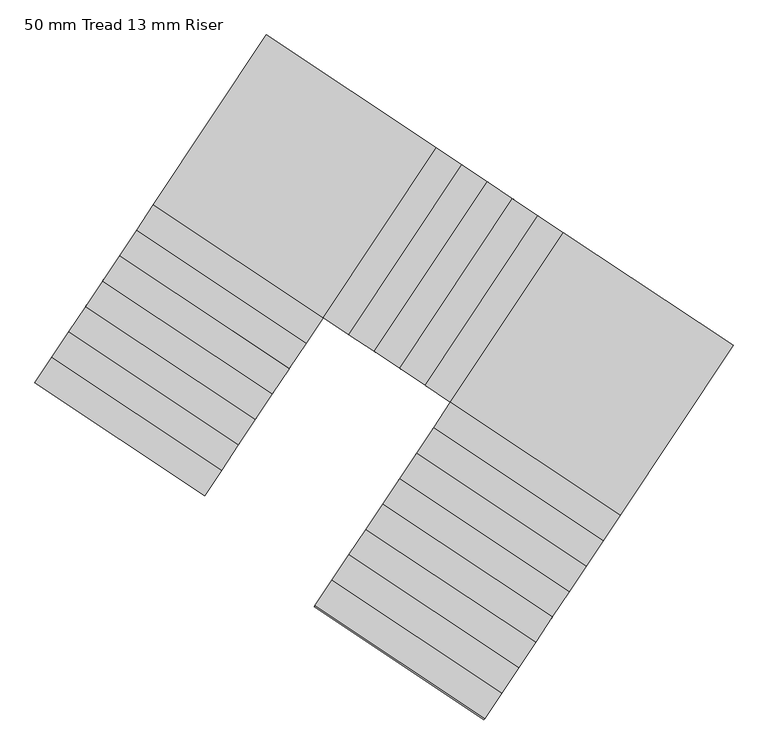
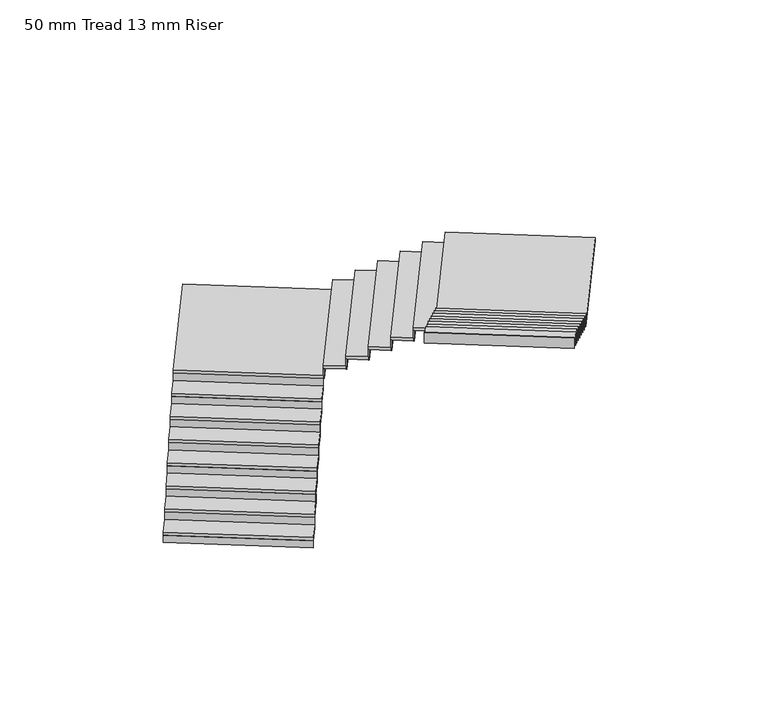
"""IFC4 building model written with IfcOpenShell, lengths in millimetres: stair flight geometry, 50 mm Tread 13 mm Riser."""

import ifcopenshell
import ifcopenshell.guid

model = None  # the IFC model being written
_history = None  # IfcOwnerHistory: only IFC2X3 demands one
_inside = {}  # id of a spatial element -> (the spatial element, [elements in it])
_under = {}  # id of a project, library or spatial element -> (it, [spatial elements below it])
_declared = {}  # id of a project -> (the project, [libraries it declares])
_typed = {}  # id of a type object -> (the type object, [elements of that type])
_made_of = {}  # id of a material, layer set ... -> (it, [elements and type objects made of it])


def new_model(schema):
    """Start an empty IFC model of exactly this schema.

    Asked for "IFC4X3", IfcOpenShell would pick the latest addendum, in which some entities
    have other attributes; the version numbers below select the first issue.
    IFC2X3 requires an IfcOwnerHistory on every rooted entity: one is made here for all.
    """
    global model, _history
    if schema == "IFC4X3":
        model = ifcopenshell.file(schema_version=(4, 3, 0, 0))
    else:
        model = ifcopenshell.file(schema=schema)
    _inside.clear()
    _under.clear()
    _declared.clear()
    _typed.clear()
    _made_of.clear()
    _history = None
    if model.schema == "IFC2X3":
        org = make("IfcOrganization", Name="unknown")
        user = make(
            "IfcPersonAndOrganization",
            ThePerson=make("IfcPerson", FamilyName="unknown"),
            TheOrganization=org,
        )
        app = make(
            "IfcApplication",
            ApplicationDeveloper=org,
            Version="unknown",
            ApplicationFullName="unknown",
            ApplicationIdentifier="unknown",
        )
        _history = make(
            "IfcOwnerHistory",
            OwningUser=user,
            OwningApplication=app,
            ChangeAction="ADDED",
            CreationDate=0,
        )
    return model


def make(cls, **values):
    """One entity of the class cls with the attributes given. An attribute that is None is left unset."""
    return model.create_entity(
        cls, **{name: value for name, value in values.items() if value is not None}
    )


def rooted(cls, **values):
    """An entity with a GlobalId (a new one), such as an element, a storey or a relation."""
    return make(cls, GlobalId=ifcopenshell.guid.new(), OwnerHistory=_history, **values)


def si_unit(unit_type, name, prefix=None):
    """IfcSIUnit, for example si_unit("LENGTHUNIT", "METRE", prefix="MILLI")."""
    return make("IfcSIUnit", UnitType=unit_type, Prefix=prefix, Name=name)


def assignment(units):
    """IfcUnitAssignment: the units of a project."""
    return None if units is None else make("IfcUnitAssignment", Units=units)


def point(xyz):
    """IfcCartesianPoint."""
    return None if xyz is None else make("IfcCartesianPoint", Coordinates=xyz)


def direction(xyz):
    """IfcDirection."""
    return None if xyz is None else make("IfcDirection", DirectionRatios=xyz)


def frame(location, z_axis=None, x_axis=None):
    """IfcAxis2Placement3D, a coordinate frame: its origin and axes. An axis left out is left unset."""
    return make(
        "IfcAxis2Placement3D",
        Location=point(location),
        Axis=direction(z_axis),
        RefDirection=direction(x_axis),
    )


def origin():
    """The frame at (0, 0, 0) with its axes left unset."""
    return frame((0.0, 0.0, 0.0))


def place(relative_to, where):
    """IfcLocalPlacement: puts the frame where relative to a parent placement (None: the world)."""
    return make(
        "IfcLocalPlacement", PlacementRelTo=relative_to, RelativePlacement=where
    )


def context(
    kind, dimensions, precision=None, world=None, true_north=None, identifier=None
):
    """IfcGeometricRepresentationContext, for example the 3D "Model" context."""
    return make(
        "IfcGeometricRepresentationContext",
        ContextIdentifier=identifier,
        ContextType=kind,
        CoordinateSpaceDimension=dimensions,
        Precision=precision,
        WorldCoordinateSystem=world,
        TrueNorth=true_north,
    )


def project(units=None, contexts=None):
    """IfcProject with its units and contexts."""
    return rooted(
        "IfcProject",
        Name="project",
        RepresentationContexts=contexts,
        UnitsInContext=assignment(units),
    )


def spatial(cls, under=None, at=None, **own):
    """A site, building, storey or space (cls), placed at a placement, below another one or the project."""
    s = rooted(cls, ObjectPlacement=at, **own)
    if under is not None:
        _under.setdefault(under.id(), (under, []))[1].append(s)
    return s


def polyline(points):
    """IfcPolyline through the points."""
    return make("IfcPolyline", Points=[point(p) for p in points])


def outline(outer, holes=None, kind="AREA"):
    """IfcArbitraryClosedProfileDef: a profile drawn as a closed curve; with holes, ...WithVoids."""
    if holes is None:
        return make("IfcArbitraryClosedProfileDef", ProfileType=kind, OuterCurve=outer)
    return make(
        "IfcArbitraryProfileDefWithVoids",
        ProfileType=kind,
        OuterCurve=outer,
        InnerCurves=holes,
    )


def extrude(swept, where, along, depth):
    """IfcExtrudedAreaSolid: the profile swept, set in the frame where, extruded along a direction by depth."""
    return make(
        "IfcExtrudedAreaSolid",
        SweptArea=swept,
        Position=where,
        ExtrudedDirection=direction(along),
        Depth=depth,
    )


def shape(context_of_items, identifier, shape_type, items):
    """IfcShapeRepresentation: the items that make up one representation, for example the "Body"."""
    return make(
        "IfcShapeRepresentation",
        ContextOfItems=context_of_items,
        RepresentationIdentifier=identifier,
        RepresentationType=shape_type,
        Items=items,
    )


def source(mapping_origin, context_of_items, identifier, shape_type, items):
    """IfcRepresentationMap: a shape defined once, which mapped items show again and again."""
    return make(
        "IfcRepresentationMap",
        MappingOrigin=mapping_origin,
        MappedRepresentation=shape(context_of_items, identifier, shape_type, items),
    )


def transform(
    local_origin,
    x_axis=None,
    y_axis=None,
    z_axis=None,
    scale=None,
    scale2=None,
    scale3=None,
    uniform=True,
):
    """IfcCartesianTransformationOperator3D, or its non-uniform kind. x_axis, y_axis, z_axis: its Axis1, 2, 3."""
    if uniform:
        return make(
            "IfcCartesianTransformationOperator3D",
            Axis1=direction(x_axis),
            Axis2=direction(y_axis),
            LocalOrigin=point(local_origin),
            Scale=scale,
            Axis3=direction(z_axis),
        )
    return make(
        "IfcCartesianTransformationOperator3DnonUniform",
        Axis1=direction(x_axis),
        Axis2=direction(y_axis),
        LocalOrigin=point(local_origin),
        Scale=scale,
        Axis3=direction(z_axis),
        Scale2=scale2,
        Scale3=scale3,
    )


def mapped(mapping_source, mapping_target):
    """IfcMappedItem: shows the shape of a source again, moved by a transform."""
    return make(
        "IfcMappedItem", MappingSource=mapping_source, MappingTarget=mapping_target
    )


def made_of(thing, what):
    """Note that an element or type object is made of a material, layer set ...; save() writes the relation."""
    if what is not None:
        _made_of.setdefault(what.id(), (what, []))[1].append(thing)
    return thing


def element(
    cls,
    number,
    at=None,
    inside=None,
    cuts=None,
    type_object=None,
    material=None,
    context=None,
    identifier="Body",
    shape_type=None,
    held_by="IfcProductDefinitionShape",
    body=None,
    shapes=None,
    **own,
):
    """One element of the class cls, such as IfcWall. Its Tag is "e" and its number.

    at: its placement. inside: the storey or other place that contains it. cuts: it is an
    opening in that element (IfcRelVoidsElement). A single representation is given by context,
    identifier, shape_type and body (its items); several are given by shapes. held_by: the class
    of the entity that holds the representations. save() writes the other relations.
    """
    e = rooted(cls, Tag="e%d" % number, ObjectPlacement=at, **own)
    if body is not None:
        shapes = [shape(context, identifier, shape_type, body)]
    if shapes is not None:
        e.Representation = make(held_by, Representations=shapes)
    if inside is not None:
        _inside.setdefault(inside.id(), (inside, []))[1].append(e)
    if cuts is not None:
        rooted(
            "IfcRelVoidsElement", RelatingBuildingElement=cuts, RelatedOpeningElement=e
        )
    if type_object is not None:
        _typed.setdefault(type_object.id(), (type_object, []))[1].append(e)
    return made_of(e, material)


def aggregate(whole, parts):
    """IfcRelAggregates: a whole, such as a stair, and the parts it consists of."""
    return rooted("IfcRelAggregates", RelatingObject=whole, RelatedObjects=parts)


def save(model, path):
    """Write the relations noted so far, then the file.

    IfcRelAggregates (storeys below a building ...), IfcRelContainedInSpatialStructure (elements
    in a storey), IfcRelDefinesByType, IfcRelAssociatesMaterial and IfcRelDeclares: one each for
    every whole, place, type object, material and project.
    """
    for whole, parts in _under.values():
        aggregate(whole, parts)
    for where, things in _inside.values():
        rooted(
            "IfcRelContainedInSpatialStructure",
            RelatedElements=things,
            RelatingStructure=where,
        )
    for kind, things in _typed.values():
        rooted("IfcRelDefinesByType", RelatedObjects=things, RelatingType=kind)
    for what, things in _made_of.values():
        rooted("IfcRelAssociatesMaterial", RelatedObjects=things, RelatingMaterial=what)
    for by, libraries in _declared.values():
        rooted("IfcRelDeclares", RelatingContext=by, RelatedDefinitions=libraries)
    model.write(path)


def stair_flight_50_mm_tread_13_mm_riser_c5c35de4(model_context):
    return source(origin(), model_context, "Body", "SweptSolid", [
        extrude(outline(polyline([(-247204.2511497, 56805.2453331), (-247211.1748969, 56794.8380412), (-248876.3416006, 57902.6375939), (-248869.4178534, 57913.0448858), (-247204.2511497, 56805.2453331)])), frame((0.0, 0.0, 4680.0), z_axis=(0.0, 0.0, 1.0), x_axis=(1.0, 0.0, 0.0)), (0.0, 0.0, 1.0), 116.6666667),
        extrude(outline(polyline([(-248710.1716677, 58152.4125995), (-247045.004964, 57044.6130467), (-247211.1748969, 56794.8380412), (-248876.3416006, 57902.6375939), (-248710.1716677, 58152.4125995)])), frame((0.0, 0.0, 4796.6666667), z_axis=(0.0, 0.0, 1.0), x_axis=(1.0, 0.0, 0.0)), (0.0, 0.0, 1.0), 50.0),
        extrude(outline(polyline([(-247038.0812168, 57055.0203386), (-247045.004964, 57044.6130467), (-248710.1716677, 58152.4125995), (-248703.2479205, 58162.8198914), (-247038.0812168, 57055.0203386)])), frame((0.0, 0.0, 4796.6666667), z_axis=(0.0, 0.0, 1.0), x_axis=(1.0, 0.0, 0.0)), (0.0, 0.0, 1.0), 166.6666667),
        extrude(outline(polyline([(-248544.0017348, 58402.187605), (-246878.8350311, 57294.3880523), (-247045.004964, 57044.6130467), (-248710.1716677, 58152.4125995), (-248544.0017348, 58402.187605)])), frame((0.0, 0.0, 4963.3333333), z_axis=(0.0, 0.0, 1.0), x_axis=(1.0, 0.0, 0.0)), (0.0, 0.0, 1.0), 50.0),
        extrude(outline(polyline([(-246871.9112839, 57304.7953442), (-246878.8350311, 57294.3880523), (-248544.0017348, 58402.187605), (-248537.0779876, 58412.5948969), (-246871.9112839, 57304.7953442)])), frame((0.0, 0.0, 4963.3333333), z_axis=(0.0, 0.0, 1.0), x_axis=(1.0, 0.0, 0.0)), (0.0, 0.0, 1.0), 166.6666667),
        extrude(outline(polyline([(-248377.8318019, 58651.9626106), (-246712.6650982, 57544.1630578), (-246878.8350311, 57294.3880523), (-248544.0017348, 58402.187605), (-248377.8318019, 58651.9626106)])), frame((0.0, 0.0, 5130.0), z_axis=(0.0, 0.0, 1.0), x_axis=(1.0, 0.0, 0.0)), (0.0, 0.0, 1.0), 50.0),
        extrude(outline(polyline([(-246705.741351, 57554.5703497), (-246712.6650982, 57544.1630578), (-248377.8318019, 58651.9626106), (-248370.9080547, 58662.3699025), (-246705.741351, 57554.5703497)])), frame((0.0, 0.0, 5130.0), z_axis=(0.0, 0.0, 1.0), x_axis=(1.0, 0.0, 0.0)), (0.0, 0.0, 1.0), 166.6666667),
        extrude(outline(polyline([(-248211.6618689, 58901.7376161), (-246546.4951653, 57793.9380634), (-246712.6650982, 57544.1630578), (-248377.8318019, 58651.9626106), (-248211.6618689, 58901.7376161)])), frame((0.0, 0.0, 5296.6666667), z_axis=(0.0, 0.0, 1.0), x_axis=(1.0, 0.0, 0.0)), (0.0, 0.0, 1.0), 50.0),
        extrude(outline(polyline([(-246539.5714181, 57804.3453553), (-246546.4951653, 57793.9380634), (-248211.6618689, 58901.7376161), (-248204.7381217, 58912.144908), (-246539.5714181, 57804.3453553)])), frame((0.0, 0.0, 5296.6666667), z_axis=(0.0, 0.0, 1.0), x_axis=(1.0, 0.0, 0.0)), (0.0, 0.0, 1.0), 166.6666667),
        extrude(outline(polyline([(-248045.491936, 59151.5126217), (-246380.3252324, 58043.7130689), (-246546.4951653, 57793.9380634), (-248211.6618689, 58901.7376161), (-248045.491936, 59151.5126217)])), frame((0.0, 0.0, 5463.3333333), z_axis=(0.0, 0.0, 1.0), x_axis=(1.0, 0.0, 0.0)), (0.0, 0.0, 1.0), 50.0),
        extrude(outline(polyline([(-246373.4014852, 58054.1203608), (-246380.3252324, 58043.7130689), (-248045.491936, 59151.5126217), (-248038.5681888, 59161.9199136), (-246373.4014852, 58054.1203608)])), frame((0.0, 0.0, 5463.3333333), z_axis=(0.0, 0.0, 1.0), x_axis=(1.0, 0.0, 0.0)), (0.0, 0.0, 1.0), 166.6666667),
        extrude(outline(polyline([(-247879.3220031, 59401.2876272), (-246214.1552995, 58293.4880745), (-246380.3252324, 58043.7130689), (-248045.491936, 59151.5126217), (-247879.3220031, 59401.2876272)])), frame((0.0, 0.0, 5630.0), z_axis=(0.0, 0.0, 1.0), x_axis=(1.0, 0.0, 0.0)), (0.0, 0.0, 1.0), 50.0),
        extrude(outline(polyline([(-246207.2315523, 58303.8953664), (-246214.1552995, 58293.4880745), (-247879.3220031, 59401.2876272), (-247872.3982559, 59411.6949191), (-246207.2315523, 58303.8953664)])), frame((0.0, 0.0, 5630.0), z_axis=(0.0, 0.0, 1.0), x_axis=(1.0, 0.0, 0.0)), (0.0, 0.0, 1.0), 166.6666667),
        extrude(outline(polyline([(-247713.1520702, 59651.0626328), (-246047.9853666, 58543.26308), (-246214.1552995, 58293.4880745), (-247879.3220031, 59401.2876272), (-247713.1520702, 59651.0626328)])), frame((0.0, 0.0, 5796.6666667), z_axis=(0.0, 0.0, 1.0), x_axis=(1.0, 0.0, 0.0)), (0.0, 0.0, 1.0), 50.0),
        extrude(outline(polyline([(-246041.0616194, 58553.6703719), (-246047.9853666, 58543.26308), (-247713.1520702, 59651.0626328), (-247706.228323, 59661.4699246), (-246041.0616194, 58553.6703719)])), frame((0.0, 0.0, 5796.6666667), z_axis=(0.0, 0.0, 1.0), x_axis=(1.0, 0.0, 0.0)), (0.0, 0.0, 1.0), 166.6666667),
        extrude(outline(polyline([(-244940.1858138, 60208.4297837), (-246047.9853666, 58543.26308), (-247713.1520702, 59651.0626328), (-246605.3525175, 61316.2293364), (-244940.1858138, 60208.4297837)])), frame((0.0, 0.0, 5963.3333333), z_axis=(0.0, 0.0, 1.0), x_axis=(1.0, 0.0, 0.0)), (0.0, 0.0, 1.0), 50.0),
        extrude(outline(polyline([(-246037.5780747, 58536.3393328), (-246047.9853666, 58543.26308), (-244940.1858138, 60208.4297837), (-244929.7785219, 60201.5060365), (-246037.5780747, 58536.3393328)])), frame((0.0, 0.0, 5963.3333333), z_axis=(0.0, 0.0, 1.0), x_axis=(1.0, 0.0, 0.0)), (0.0, 0.0, 1.0), 166.6666667),
        extrude(outline(polyline([(-244690.4108083, 60042.2598508), (-245798.210361, 58377.0931471), (-246047.9853666, 58543.26308), (-244940.1858138, 60208.4297837), (-244690.4108083, 60042.2598508)])), frame((0.0, 0.0, 6130.0), z_axis=(0.0, 0.0, 1.0), x_axis=(1.0, 0.0, 0.0)), (0.0, 0.0, 1.0), 50.0),
        extrude(outline(polyline([(-245787.8030691, 58370.1693999), (-245798.210361, 58377.0931471), (-244690.4108083, 60042.2598508), (-244680.0035164, 60035.3361036), (-245787.8030691, 58370.1693999)])), frame((0.0, 0.0, 6130.0), z_axis=(0.0, 0.0, 1.0), x_axis=(1.0, 0.0, 0.0)), (0.0, 0.0, 1.0), 166.6666667),
        extrude(outline(polyline([(-244440.6358027, 59876.0899178), (-245548.4353555, 58210.9232142), (-245798.210361, 58377.0931471), (-244690.4108083, 60042.2598508), (-244440.6358027, 59876.0899178)])), frame((0.0, 0.0, 6296.6666667), z_axis=(0.0, 0.0, 1.0), x_axis=(1.0, 0.0, 0.0)), (0.0, 0.0, 1.0), 50.0),
        extrude(outline(polyline([(-245538.0280636, 58203.999467), (-245548.4353555, 58210.9232142), (-244440.6358027, 59876.0899178), (-244430.2285108, 59869.1661706), (-245538.0280636, 58203.999467)])), frame((0.0, 0.0, 6296.6666667), z_axis=(0.0, 0.0, 1.0), x_axis=(1.0, 0.0, 0.0)), (0.0, 0.0, 1.0), 166.6666667),
        extrude(outline(polyline([(-244190.8607972, 59709.9199849), (-245298.6603499, 58044.7532813), (-245548.4353555, 58210.9232142), (-244440.6358027, 59876.0899178), (-244190.8607972, 59709.9199849)])), frame((0.0, 0.0, 6463.3333333), z_axis=(0.0, 0.0, 1.0), x_axis=(1.0, 0.0, 0.0)), (0.0, 0.0, 1.0), 50.0),
        extrude(outline(polyline([(-245288.253058, 58037.8295341), (-245298.6603499, 58044.7532813), (-244190.8607972, 59709.9199849), (-244180.4535053, 59702.9962377), (-245288.253058, 58037.8295341)])), frame((0.0, 0.0, 6463.3333333), z_axis=(0.0, 0.0, 1.0), x_axis=(1.0, 0.0, 0.0)), (0.0, 0.0, 1.0), 166.6666667),
        extrude(outline(polyline([(-243941.0857916, 59543.750052), (-245048.8853444, 57878.5833484), (-245298.6603499, 58044.7532813), (-244190.8607972, 59709.9199849), (-243941.0857916, 59543.750052)])), frame((0.0, 0.0, 6630.0), z_axis=(0.0, 0.0, 1.0), x_axis=(1.0, 0.0, 0.0)), (0.0, 0.0, 1.0), 50.0),
        extrude(outline(polyline([(-245038.4780525, 57871.6596012), (-245048.8853444, 57878.5833484), (-243941.0857916, 59543.750052), (-243930.6784997, 59536.8263048), (-245038.4780525, 57871.6596012)])), frame((0.0, 0.0, 6630.0), z_axis=(0.0, 0.0, 1.0), x_axis=(1.0, 0.0, 0.0)), (0.0, 0.0, 1.0), 166.6666667),
        extrude(outline(polyline([(-243691.3107861, 59377.5801191), (-244799.1103388, 57712.4134155), (-245048.8853444, 57878.5833484), (-243941.0857916, 59543.750052), (-243691.3107861, 59377.5801191)])), frame((0.0, 0.0, 6796.6666667), z_axis=(0.0, 0.0, 1.0), x_axis=(1.0, 0.0, 0.0)), (0.0, 0.0, 1.0), 50.0),
        extrude(outline(polyline([(-244788.7030469, 57705.4896683), (-244799.1103388, 57712.4134155), (-243691.3107861, 59377.5801191), (-243680.9034942, 59370.6563719), (-244788.7030469, 57705.4896683)])), frame((0.0, 0.0, 6796.6666667), z_axis=(0.0, 0.0, 1.0), x_axis=(1.0, 0.0, 0.0)), (0.0, 0.0, 1.0), 166.6666667),
        extrude(outline(polyline([(-243133.9436352, 56604.6138627), (-244799.1103388, 57712.4134155), (-243691.3107861, 59377.5801191), (-242026.1440824, 58269.7805664), (-243133.9436352, 56604.6138627)])), frame((0.0, 0.0, 6963.3333333), z_axis=(0.0, 0.0, 1.0), x_axis=(1.0, 0.0, 0.0)), (0.0, 0.0, 1.0), 50.0),
        extrude(outline(polyline([(-244806.034086, 57702.0061236), (-244799.1103388, 57712.4134155), (-243133.9436352, 56604.6138627), (-243140.8673824, 56594.2065708), (-244806.034086, 57702.0061236)])), frame((0.0, 0.0, 6963.3333333), z_axis=(0.0, 0.0, 1.0), x_axis=(1.0, 0.0, 0.0)), (0.0, 0.0, 1.0), 166.6666667),
        extrude(outline(polyline([(-243300.1135681, 56354.8388572), (-244965.2802717, 57462.6384099), (-244799.1103388, 57712.4134155), (-243133.9436352, 56604.6138627), (-243300.1135681, 56354.8388572)])), frame((0.0, 0.0, 7130.0), z_axis=(0.0, 0.0, 1.0), x_axis=(1.0, 0.0, 0.0)), (0.0, 0.0, 1.0), 50.0),
        extrude(outline(polyline([(-244972.2040189, 57452.231118), (-244965.2802717, 57462.6384099), (-243300.1135681, 56354.8388572), (-243307.0373153, 56344.4315653), (-244972.2040189, 57452.231118)])), frame((0.0, 0.0, 7130.0), z_axis=(0.0, 0.0, 1.0), x_axis=(1.0, 0.0, 0.0)), (0.0, 0.0, 1.0), 166.6666667),
        extrude(outline(polyline([(-243466.283501, 56105.0638516), (-245131.4502046, 57212.8634044), (-244965.2802717, 57462.6384099), (-243300.1135681, 56354.8388572), (-243466.283501, 56105.0638516)])), frame((0.0, 0.0, 7296.6666667), z_axis=(0.0, 0.0, 1.0), x_axis=(1.0, 0.0, 0.0)), (0.0, 0.0, 1.0), 50.0),
        extrude(outline(polyline([(-245138.3739518, 57202.4561125), (-245131.4502046, 57212.8634044), (-243466.283501, 56105.0638516), (-243473.2072482, 56094.6565597), (-245138.3739518, 57202.4561125)])), frame((0.0, 0.0, 7296.6666667), z_axis=(0.0, 0.0, 1.0), x_axis=(1.0, 0.0, 0.0)), (0.0, 0.0, 1.0), 166.6666667),
        extrude(outline(polyline([(-243632.4534339, 55855.2888461), (-245297.6201376, 56963.0883988), (-245131.4502046, 57212.8634044), (-243466.283501, 56105.0638516), (-243632.4534339, 55855.2888461)])), frame((0.0, 0.0, 7463.3333333), z_axis=(0.0, 0.0, 1.0), x_axis=(1.0, 0.0, 0.0)), (0.0, 0.0, 1.0), 50.0),
        extrude(outline(polyline([(-245304.5438848, 56952.6811069), (-245297.6201376, 56963.0883988), (-243632.4534339, 55855.2888461), (-243639.3771811, 55844.8815542), (-245304.5438848, 56952.6811069)])), frame((0.0, 0.0, 7463.3333333), z_axis=(0.0, 0.0, 1.0), x_axis=(1.0, 0.0, 0.0)), (0.0, 0.0, 1.0), 166.6666667),
        extrude(outline(polyline([(-243798.6233668, 55605.5138405), (-245463.7900705, 56713.3133933), (-245297.6201376, 56963.0883988), (-243632.4534339, 55855.2888461), (-243798.6233668, 55605.5138405)])), frame((0.0, 0.0, 7630.0), z_axis=(0.0, 0.0, 1.0), x_axis=(1.0, 0.0, 0.0)), (0.0, 0.0, 1.0), 50.0),
        extrude(outline(polyline([(-245470.7138177, 56702.9061014), (-245463.7900705, 56713.3133933), (-243798.6233668, 55605.5138405), (-243805.547114, 55595.1065486), (-245470.7138177, 56702.9061014)])), frame((0.0, 0.0, 7630.0), z_axis=(0.0, 0.0, 1.0), x_axis=(1.0, 0.0, 0.0)), (0.0, 0.0, 1.0), 166.6666667),
        extrude(outline(polyline([(-243964.7932997, 55355.738835), (-245629.9600034, 56463.5383877), (-245463.7900705, 56713.3133933), (-243798.6233668, 55605.5138405), (-243964.7932997, 55355.738835)])), frame((0.0, 0.0, 7796.6666667), z_axis=(0.0, 0.0, 1.0), x_axis=(1.0, 0.0, 0.0)), (0.0, 0.0, 1.0), 50.0),
        extrude(outline(polyline([(-245636.8837506, 56453.1310958), (-245629.9600034, 56463.5383877), (-243964.7932997, 55355.738835), (-243971.7170469, 55345.3315431), (-245636.8837506, 56453.1310958)])), frame((0.0, 0.0, 7796.6666667), z_axis=(0.0, 0.0, 1.0), x_axis=(1.0, 0.0, 0.0)), (0.0, 0.0, 1.0), 166.6666667),
        extrude(outline(polyline([(-244130.9632326, 55105.9638294), (-245796.1299363, 56213.7633822), (-245629.9600034, 56463.5383877), (-243964.7932997, 55355.738835), (-244130.9632326, 55105.9638294)])), frame((0.0, 0.0, 7963.3333333), z_axis=(0.0, 0.0, 1.0), x_axis=(1.0, 0.0, 0.0)), (0.0, 0.0, 1.0), 50.0),
        extrude(outline(polyline([(-245803.0536835, 56203.3560903), (-245796.1299363, 56213.7633822), (-244130.9632326, 55105.9638294), (-244137.8869798, 55095.5565375), (-245803.0536835, 56203.3560903)])), frame((0.0, 0.0, 7963.3333333), z_axis=(0.0, 0.0, 1.0), x_axis=(1.0, 0.0, 0.0)), (0.0, 0.0, 1.0), 166.6666667),
        extrude(outline(polyline([(-244297.1331655, 54856.1888239), (-245962.2998692, 55963.9883766), (-245796.1299363, 56213.7633822), (-244130.9632326, 55105.9638294), (-244297.1331655, 54856.1888239)])), frame((0.0, 0.0, 8130.0), z_axis=(0.0, 0.0, 1.0), x_axis=(1.0, 0.0, 0.0)), (0.0, 0.0, 1.0), 50.0),
        extrude(outline(polyline([(-245969.2236164, 55953.5810847), (-245962.2998692, 55963.9883766), (-244297.1331655, 54856.1888239), (-244304.0569127, 54845.781532), (-245969.2236164, 55953.5810847)])), frame((0.0, 0.0, 8130.0), z_axis=(0.0, 0.0, 1.0), x_axis=(1.0, 0.0, 0.0)), (0.0, 0.0, 1.0), 166.6666667),
        extrude(outline(polyline([(-246135.3935493, 55703.8060792), (-246128.4698021, 55714.2133711), (-244463.3030984, 54606.4138183), (-244470.2268457, 54596.0065264), (-246135.3935493, 55703.8060792)])), frame((0.0, 0.0, 8296.6666667), z_axis=(0.0, 0.0, 1.0), x_axis=(1.0, 0.0, 0.0)), (0.0, 0.0, 1.0), 166.6666667),
        extrude(outline(polyline([(-244463.3030984, 54606.4138183), (-246128.4698021, 55714.2133711), (-245962.2998692, 55963.9883766), (-244297.1331655, 54856.1888239), (-244463.3030984, 54606.4138183)])), frame((0.0, 0.0, 8296.6666667), z_axis=(0.0, 0.0, 1.0), x_axis=(1.0, 0.0, 0.0)), (0.0, 0.0, 1.0), 50.0),
    ])


if __name__ == "__main__":
    model = new_model("IFC4")
    model_context = context("Model", 3, world=origin())
    ifc_project = project(units=[si_unit("LENGTHUNIT", "METRE", prefix="MILLI")], contexts=[model_context])
    site = spatial("IfcSite", under=ifc_project)
    building = spatial("IfcBuilding", under=site)
    placement = place(None, origin())
    stair_flight_50_mm_tread_13_mm_riser_shape = stair_flight_50_mm_tread_13_mm_riser_c5c35de4(model_context)
    element("IfcStairFlight", 1, ObjectType="50 mm Tread 13 mm Riser", at=placement, inside=building, context=model_context, shape_type="MappedRepresentation", body=[
        mapped(stair_flight_50_mm_tread_13_mm_riser_shape, transform((0.0, 0.0, 0.0), x_axis=(1.0, 0.0, 0.0), y_axis=(0.0, 1.0, 0.0), z_axis=(0.0, 0.0, 1.0))),
    ])
    save(model, "model.ifc")
